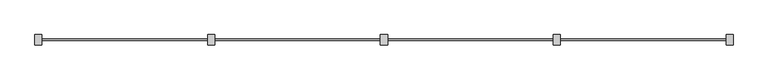
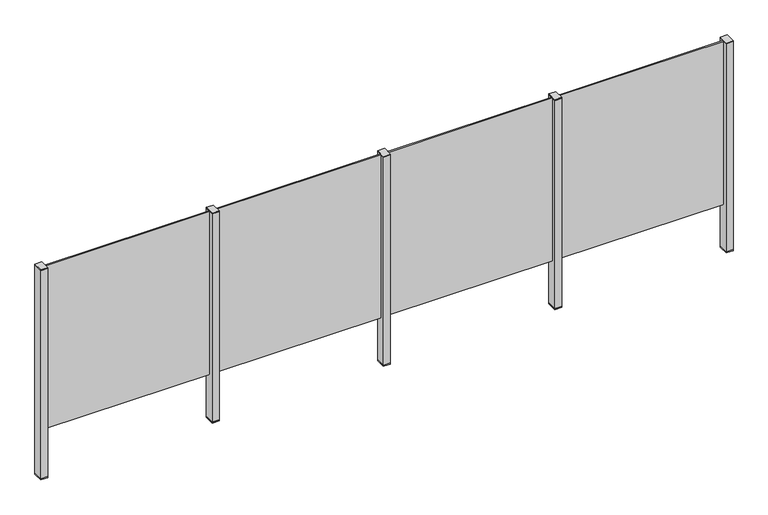
"""IFC4 building model written with IfcOpenShell, lengths in millimetres: railing geometry."""

from ifc_helpers import new_model, si_unit, frame, origin, place, context, project, spatial, polyline, outline, extrude, source, transform, mapped, element, save


def railing_db54dbd9(model_context):
    return source(origin(), model_context, "Body", "SweptSolid", [
        extrude(outline(polyline([(81337.0, -138.0905071), (81337.0, -128.0905071), (82417.0, -128.0905071), (82417.0, -138.0905071), (81337.0, -138.0905071)])), frame((0.0, 0.0, 95.0), z_axis=(0.0, 0.0, 1.0), x_axis=(1.0, 0.0, 0.0)), (0.0, 0.0, 1.0), 1105.0),
        extrude(outline(polyline([(81349.5, -99.8153172), (81349.5, -164.8153172), (81304.5, -164.8153172), (81304.5, -99.8153172), (81349.5, -99.8153172)])), frame((0.0, 0.0, 1200.0), z_axis=(0.0, 0.0, 1.0), x_axis=(1.0, 0.0, 0.0)), (0.0, 0.0, 1.0), 5.0),
        extrude(outline(polyline([(81349.5, -99.8153172), (81349.5, -164.8153172), (81304.5, -164.8153172), (81304.5, -99.8153172), (81349.5, -99.8153172)])), frame((0.0, 0.0, -212.0), z_axis=(0.0, 0.0, 1.0), x_axis=(1.0, 0.0, 0.0)), (0.0, 0.0, 1.0), 1412.0),
        extrude(outline(polyline([(81349.5, -99.8153172), (81349.5, -164.8153172), (81304.5, -164.8153172), (81304.5, -99.8153172), (81349.5, -99.8153172)])), frame((0.0, 0.0, -220.0), z_axis=(0.0, 0.0, 1.0), x_axis=(1.0, 0.0, 0.0)), (0.0, 0.0, 1.0), 8.0),
        extrude(outline(polyline([(80237.0, -138.0905071), (80237.0, -128.0905071), (81317.0, -128.0905071), (81317.0, -138.0905071), (80237.0, -138.0905071)])), frame((0.0, 0.0, 95.0), z_axis=(0.0, 0.0, 1.0), x_axis=(1.0, 0.0, 0.0)), (0.0, 0.0, 1.0), 1105.0),
        extrude(outline(polyline([(80249.5, -99.8153172), (80249.5, -164.8153172), (80204.5, -164.8153172), (80204.5, -99.8153172), (80249.5, -99.8153172)])), frame((0.0, 0.0, 1200.0), z_axis=(0.0, 0.0, 1.0), x_axis=(1.0, 0.0, 0.0)), (0.0, 0.0, 1.0), 5.0),
        extrude(outline(polyline([(80249.5, -99.8153172), (80249.5, -164.8153172), (80204.5, -164.8153172), (80204.5, -99.8153172), (80249.5, -99.8153172)])), frame((0.0, 0.0, -212.0), z_axis=(0.0, 0.0, 1.0), x_axis=(1.0, 0.0, 0.0)), (0.0, 0.0, 1.0), 1412.0),
        extrude(outline(polyline([(80249.5, -99.8153172), (80249.5, -164.8153172), (80204.5, -164.8153172), (80204.5, -99.8153172), (80249.5, -99.8153172)])), frame((0.0, 0.0, -220.0), z_axis=(0.0, 0.0, 1.0), x_axis=(1.0, 0.0, 0.0)), (0.0, 0.0, 1.0), 8.0),
        extrude(outline(polyline([(79137.0, -138.0905071), (79137.0, -128.0905071), (80217.0, -128.0905071), (80217.0, -138.0905071), (79137.0, -138.0905071)])), frame((0.0, 0.0, 95.0), z_axis=(0.0, 0.0, 1.0), x_axis=(1.0, 0.0, 0.0)), (0.0, 0.0, 1.0), 1105.0),
        extrude(outline(polyline([(79149.5, -99.8153172), (79149.5, -164.8153172), (79104.5, -164.8153172), (79104.5, -99.8153172), (79149.5, -99.8153172)])), frame((0.0, 0.0, 1200.0), z_axis=(0.0, 0.0, 1.0), x_axis=(1.0, 0.0, 0.0)), (0.0, 0.0, 1.0), 5.0),
        extrude(outline(polyline([(79149.5, -99.8153172), (79149.5, -164.8153172), (79104.5, -164.8153172), (79104.5, -99.8153172), (79149.5, -99.8153172)])), frame((0.0, 0.0, -212.0), z_axis=(0.0, 0.0, 1.0), x_axis=(1.0, 0.0, 0.0)), (0.0, 0.0, 1.0), 1412.0),
        extrude(outline(polyline([(79149.5, -99.8153172), (79149.5, -164.8153172), (79104.5, -164.8153172), (79104.5, -99.8153172), (79149.5, -99.8153172)])), frame((0.0, 0.0, -220.0), z_axis=(0.0, 0.0, 1.0), x_axis=(1.0, 0.0, 0.0)), (0.0, 0.0, 1.0), 8.0),
        extrude(outline(polyline([(78037.0, -138.0905071), (78037.0, -128.0905071), (79117.0, -128.0905071), (79117.0, -138.0905071), (78037.0, -138.0905071)])), frame((0.0, 0.0, 95.0), z_axis=(0.0, 0.0, 1.0), x_axis=(1.0, 0.0, 0.0)), (0.0, 0.0, 1.0), 1105.0),
        extrude(outline(polyline([(82449.5, -99.8153172), (82449.5, -164.8153172), (82404.5, -164.8153172), (82404.5, -99.8153172), (82449.5, -99.8153172)])), frame((0.0, 0.0, 1200.0), z_axis=(0.0, 0.0, 1.0), x_axis=(1.0, 0.0, 0.0)), (0.0, 0.0, 1.0), 5.0),
        extrude(outline(polyline([(82449.5, -99.8153172), (82449.5, -164.8153172), (82404.5, -164.8153172), (82404.5, -99.8153172), (82449.5, -99.8153172)])), frame((0.0, 0.0, -212.0), z_axis=(0.0, 0.0, 1.0), x_axis=(1.0, 0.0, 0.0)), (0.0, 0.0, 1.0), 1412.0),
        extrude(outline(polyline([(82449.5, -99.8153172), (82449.5, -164.8153172), (82404.5, -164.8153172), (82404.5, -99.8153172), (82449.5, -99.8153172)])), frame((0.0, 0.0, -220.0), z_axis=(0.0, 0.0, 1.0), x_axis=(1.0, 0.0, 0.0)), (0.0, 0.0, 1.0), 8.0),
        extrude(outline(polyline([(78049.5, -99.8153172), (78049.5, -164.8153172), (78004.5, -164.8153172), (78004.5, -99.8153172), (78049.5, -99.8153172)])), frame((0.0, 0.0, 1200.0), z_axis=(0.0, 0.0, 1.0), x_axis=(1.0, 0.0, 0.0)), (0.0, 0.0, 1.0), 5.0),
        extrude(outline(polyline([(78049.5, -99.8153172), (78049.5, -164.8153172), (78004.5, -164.8153172), (78004.5, -99.8153172), (78049.5, -99.8153172)])), frame((0.0, 0.0, -212.0), z_axis=(0.0, 0.0, 1.0), x_axis=(1.0, 0.0, 0.0)), (0.0, 0.0, 1.0), 1412.0),
        extrude(outline(polyline([(78049.5, -99.8153172), (78049.5, -164.8153172), (78004.5, -164.8153172), (78004.5, -99.8153172), (78049.5, -99.8153172)])), frame((0.0, 0.0, -220.0), z_axis=(0.0, 0.0, 1.0), x_axis=(1.0, 0.0, 0.0)), (0.0, 0.0, 1.0), 8.0),
    ])


if __name__ == "__main__":
    model = new_model("IFC4")
    model_context = context("Model", 3, world=origin())
    ifc_project = project(units=[si_unit("LENGTHUNIT", "METRE", prefix="MILLI")], contexts=[model_context])
    site = spatial("IfcSite", under=ifc_project)
    building = spatial("IfcBuilding", under=site)
    placement = place(None, origin())
    railing_shape = railing_db54dbd9(model_context)
    element("IfcRailing", 1, at=placement, inside=building, context=model_context, shape_type="MappedRepresentation", body=[
        mapped(railing_shape, transform((0.0, 0.0, 0.0), x_axis=(1.0, 0.0, 0.0), y_axis=(0.0, 1.0, 0.0), z_axis=(0.0, 0.0, 1.0))),
    ])
    save(model, "model.ifc")
